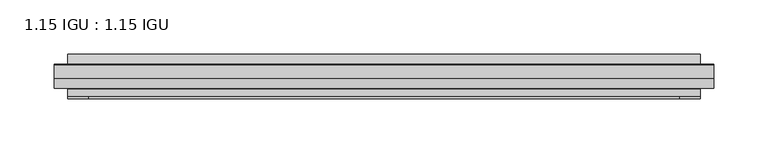
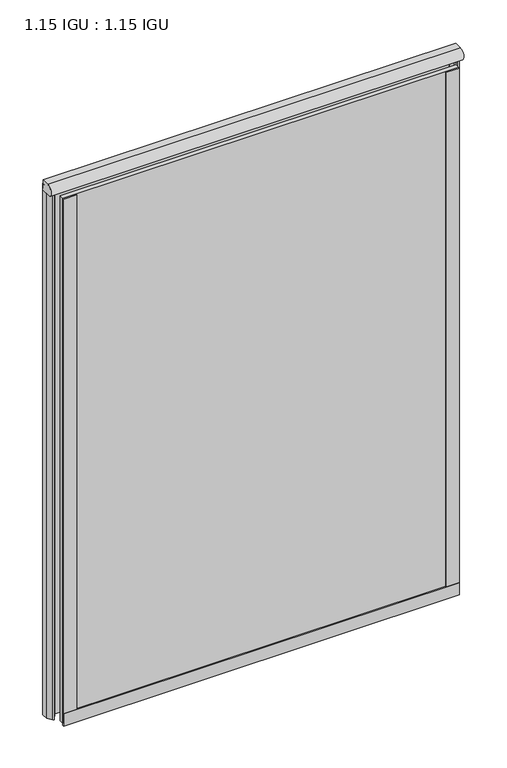
"""IFC4 building model written with IfcOpenShell, lengths in millimetres: plate geometry, 1.15 IGU : 1.15 IGU."""

from ifc_helpers import new_model, si_unit, point, frame, frame_2d, origin, place, context, project, spatial, polyline, circle_curve, ellipse_curve, trimmed, segment, composite_curve, outline, extrude, source, transform, mapped, element, save
from ifc_brep_helpers import plane_surface, revolved_surface, extruded_surface, advanced_brep


def plate_1_15_igu_1_15_igu_99db948a(model_context):
    return source(origin(), model_context, "Body", "SolidModel", [
        extrude(outline(polyline([(292.1, 0.0), (292.1, -6.2992), (-292.1, -6.2992), (-292.1, 0.0), (292.1, 0.0)])), frame((0.0, 0.0, -15.875), z_axis=(0.0, 0.0, 1.0), x_axis=(1.0, 0.0, 0.0)), (0.0, 0.0, 1.0), 819.1500001),
        extrude(outline(polyline([(-292.1, -23.1648), (292.1, -23.1648), (292.1, -29.464), (-292.1, -29.464), (-292.1, -23.1648)])), frame((0.0, 0.0, -15.875), z_axis=(0.0, 0.0, 1.0), x_axis=(1.0, 0.0, 0.0)), (0.0, 0.0, 1.0), 819.1500001),
        advanced_brep(
        [(304.8, -0.8454205, 819.1500001), (304.8, -12.7, 819.1500001), (304.8, -17.3907831, 803.2750001), (304.8, 0.0, 803.2750001), (-304.8, -0.8454205, 819.1500001), (-304.8, 0.0, 803.2750001), (-304.8, -17.3907831, 803.2750001), (-304.8, -12.7, 819.1500001)],
        [
            (0, 1),
            (1, 2, ellipse_curve(frame((304.8, -12.7, 810.6263315), z_axis=(1.0, 0.0, 0.0), x_axis=(0.0, -1.0, 0.0)), 9.2680588, 8.5236686)),
            (2, 3),
            (3, 0, circle_curve(frame((304.8, 29.6035756, 812.8115449), z_axis=(-1.0, 0.0, 0.0), x_axis=(0.0, 0.0, 1.0)), 31.1017263)),
            (4, 5, circle_curve(frame((-304.8, 29.6035756, 812.8115449), z_axis=(1.0, 0.0, 0.0), x_axis=(0.0, 0.0, 1.0)), 31.1017263)),
            (5, 6),
            (6, 7, ellipse_curve(frame((-304.8, -12.7, 810.6263315), z_axis=(-1.0, 0.0, 0.0), x_axis=(0.0, -1.0, 0.0)), 9.2680588, 8.5236686)),
            (7, 4),
            (0, 4),
            (7, 1),
            (6, 2),
            (5, 3),
        ],
        [
            plane_surface(frame((304.8, 0.0, 809.6250001), z_axis=(1.0, 0.0, 0.0), x_axis=(0.0, 1.0, 0.0))),
            plane_surface(frame((-304.8, 0.0, 809.6250001), z_axis=(-1.0, 0.0, 0.0), x_axis=(0.0, 1.0, 0.0))),
            plane_surface(frame((304.8, -0.8454205, 819.1500001), z_axis=(0.0, 0.0, 1.0), x_axis=(-1.0, 0.0, 0.0))),
            extruded_surface(trimmed(ellipse_curve(frame((-304.8, -12.7, 810.6263315), z_axis=(1.0, 0.0, 0.0), x_axis=(0.0, -1.0, 0.0)), 9.2680588, 8.5236686), [point((-304.8, -12.7, 819.1500001))], [point((-304.8, -17.3907831, 803.2750001))], True, "CARTESIAN"), (609.6, 0.0, 0.0), 609.6),
            plane_surface(frame((304.8, -17.3907831, 803.2750001), z_axis=(0.0, 0.0, -1.0), x_axis=(-1.0, 0.0, 0.0))),
            revolved_surface(polyline([(-304.8, 29.6035756, 843.9132711999999), (304.8, 29.6035756, 843.9132711999999)]), (304.8, 29.6035756, 812.8115449), (-1.0, 0.0, 0.0)),
        ],
        [
            (0, [[1, 2, 3, 4]]),
            (1, [[5, 6, 7, 8]]),
            (2, [[-1, 9, -8, 10]]),
            (3, [[-2, -10, -7, 11]]),
            (4, [[-3, -11, -6, 12]]),
            (5, [[-4, -12, -5, -9]]),
        ],
    ),
        extrude(outline(composite_curve([segment(polyline([(304.8, 0.0), (304.8, -9.7395025), (299.2337691, -16.3730781)]), True, "CONTINUOUS"), segment(trimmed(circle_curve(frame_2d((298.2800941, -15.7728374)), 1.1268473), [point((299.2337691, -16.3730781))], [point((297.1791412, -16.0130197))], False, "CARTESIAN"), True, "CONTINUOUS"), segment(polyline([(297.1791412, -16.0130197), (296.1989498, -11.7377885)]), True, "CONTINUOUS"), segment(trimmed(circle_curve(frame_2d((296.0714979, -7.7683362)), 3.9714979), [point((296.1989498, -11.7377885))], [point((292.1001786, -7.8060014))], False, "CARTESIAN"), True, "CONTINUOUS"), segment(polyline([(292.1001786, -7.8060014), (292.1001786, 0.0), (304.8, 0.0)]), True, "CONTINUOUS")], self_intersect=False)), frame((0.0, 0.0, -15.875), z_axis=(0.0, 0.0, 1.0), x_axis=(1.0, 0.0, 0.0)), (0.0, 0.0, 1.0), 829.4624001),
        extrude(outline(composite_curve([segment(polyline([(-292.1, 8.8e-06), (-292.1, -7.7683362)]), True, "CONTINUOUS"), segment(trimmed(circle_curve(frame_2d((-296.0714979, -7.7683362)), 3.9714979), [point((-292.1, -7.7683362))], [point((-296.1989498, -11.7377885))], False, "CARTESIAN"), True, "CONTINUOUS"), segment(polyline([(-296.1989498, -11.7377885), (-297.1789843, -16.012436)]), True, "CONTINUOUS"), segment(trimmed(circle_curve(frame_2d((-298.2801933, -15.7723555)), 1.1270758), [point((-297.1789843, -16.012436))], [point((-299.2340327, -16.372764))], False, "CARTESIAN"), True, "CONTINUOUS"), segment(polyline([(-299.2340327, -16.372764), (-304.8, -9.7395025), (-304.8, 8.8e-06), (-292.1, 8.8e-06)]), True, "CONTINUOUS")], self_intersect=False)), frame((0.0, 0.0, -15.875), z_axis=(0.0, 0.0, 1.0), x_axis=(1.0, 0.0, 0.0)), (0.0, 0.0, 1.0), 829.4624001),
        extrude(outline(polyline([(-292.1, -31.75), (-292.1, -29.464), (292.1, -29.464), (292.1, -31.75), (-292.1, -31.75)])), frame((0.0, 0.0, -19.05), z_axis=(0.0, 0.0, 1.0), x_axis=(1.0, 0.0, 0.0)), (0.0, 0.0, 1.0), 19.05),
        extrude(outline(composite_curve([segment(trimmed(circle_curve(frame_2d((13.6593785, 32.4202472)), 31.3046461), [point((0.0, 4.2528503))], [point((9.3980339, 1.406995))], True, "CARTESIAN"), True, "CONTINUOUS"), segment(polyline([(9.3980339, 1.406995), (9.3980339, 0.0254), (6.35, 0.0254), (6.35, -5.1625788), (7.7309478, -5.3970663), (6.35, -8.0073788), (6.35, -11.8471127)]), True, "CONTINUOUS"), segment(trimmed(circle_curve(frame_2d((5.334, -11.8471127)), 1.016), [point((6.35, -11.8471127))], [point((4.6284878, -12.5782136))], False, "CARTESIAN"), True, "CONTINUOUS"), segment(trimmed(circle_curve(frame_2d((-23.3689302, -41.5910901)), 40.3187601), [point((4.6284878, -12.5782136))], [point((0.0, -8.735413))], True, "CARTESIAN"), True, "CONTINUOUS"), segment(polyline([(0.0, -8.735413), (0.0, 4.2528503)]), True, "CONTINUOUS")], self_intersect=False)), frame((-292.1, 0.0, 0.0), z_axis=(1.0, 0.0, 0.0), x_axis=(0.0, 1.0, 0.0)), (0.0, 0.0, 1.0), 584.2),
        extrude(outline(polyline([(273.05, -29.464), (292.1, -29.464), (292.1, -31.75), (273.05, -31.75), (273.05, -29.464)])), frame((0.0, 0.0, -15.875), z_axis=(0.0, 0.0, 1.0), x_axis=(1.0, 0.0, 0.0)), (0.0, 0.0, 1.0), 819.1500001),
        extrude(outline(polyline([(-292.1, -31.75), (-292.1, -29.464), (-273.05, -29.464), (-273.05, -31.75), (-292.1, -31.75)])), frame((0.0, 0.0, -15.875), z_axis=(0.0, 0.0, 1.0), x_axis=(1.0, 0.0, 0.0)), (0.0, 0.0, 1.0), 819.1500001),
    ])


if __name__ == "__main__":
    model = new_model("IFC4")
    model_context = context("Model", 3, world=origin())
    ifc_project = project(units=[si_unit("LENGTHUNIT", "METRE", prefix="MILLI")], contexts=[model_context])
    site = spatial("IfcSite", under=ifc_project)
    building = spatial("IfcBuilding", under=site)
    placement = place(None, origin())
    plate_1_15_igu_1_15_igu_shape = plate_1_15_igu_1_15_igu_99db948a(model_context)
    element("IfcPlate", 1, ObjectType="1.15 IGU : 1.15 IGU", at=placement, inside=building, context=model_context, shape_type="MappedRepresentation", body=[
        mapped(plate_1_15_igu_1_15_igu_shape, transform((0.0, 0.0, 0.0), x_axis=(1.0, 0.0, 0.0), y_axis=(0.0, 1.0, 0.0), z_axis=(0.0, 0.0, 1.0))),
    ])
    save(model, "model.ifc")
